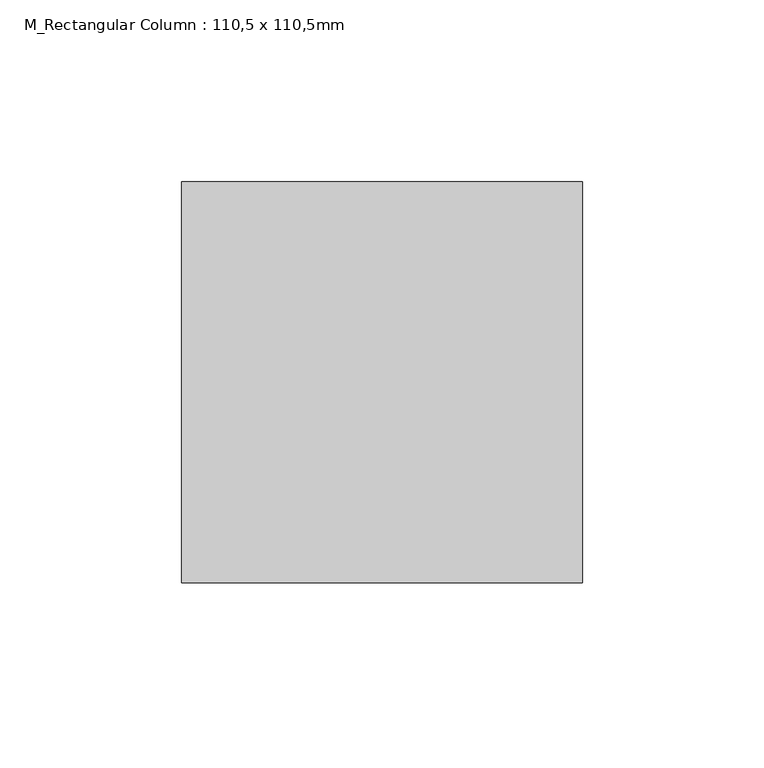
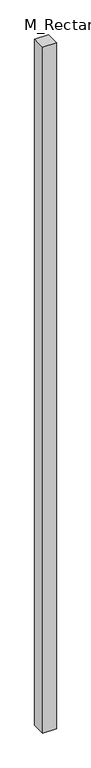
"""IFC4 building model written with IfcOpenShell, lengths in millimetres: column geometry, M_Rectangular Column : 110,5 x 110,5mm."""

import ifcopenshell
import ifcopenshell.guid

model = None  # the IFC model being written
_history = None  # IfcOwnerHistory: only IFC2X3 demands one
_inside = {}  # id of a spatial element -> (the spatial element, [elements in it])
_under = {}  # id of a project, library or spatial element -> (it, [spatial elements below it])
_declared = {}  # id of a project -> (the project, [libraries it declares])
_typed = {}  # id of a type object -> (the type object, [elements of that type])
_made_of = {}  # id of a material, layer set ... -> (it, [elements and type objects made of it])


def new_model(schema):
    """Start an empty IFC model of exactly this schema.

    Asked for "IFC4X3", IfcOpenShell would pick the latest addendum, in which some entities
    have other attributes; the version numbers below select the first issue.
    IFC2X3 requires an IfcOwnerHistory on every rooted entity: one is made here for all.
    """
    global model, _history
    if schema == "IFC4X3":
        model = ifcopenshell.file(schema_version=(4, 3, 0, 0))
    else:
        model = ifcopenshell.file(schema=schema)
    _inside.clear()
    _under.clear()
    _declared.clear()
    _typed.clear()
    _made_of.clear()
    _history = None
    if model.schema == "IFC2X3":
        org = make("IfcOrganization", Name="unknown")
        user = make(
            "IfcPersonAndOrganization",
            ThePerson=make("IfcPerson", FamilyName="unknown"),
            TheOrganization=org,
        )
        app = make(
            "IfcApplication",
            ApplicationDeveloper=org,
            Version="unknown",
            ApplicationFullName="unknown",
            ApplicationIdentifier="unknown",
        )
        _history = make(
            "IfcOwnerHistory",
            OwningUser=user,
            OwningApplication=app,
            ChangeAction="ADDED",
            CreationDate=0,
        )
    return model


def make(cls, **values):
    """One entity of the class cls with the attributes given. An attribute that is None is left unset."""
    return model.create_entity(
        cls, **{name: value for name, value in values.items() if value is not None}
    )


def rooted(cls, **values):
    """An entity with a GlobalId (a new one), such as an element, a storey or a relation."""
    return make(cls, GlobalId=ifcopenshell.guid.new(), OwnerHistory=_history, **values)


def si_unit(unit_type, name, prefix=None):
    """IfcSIUnit, for example si_unit("LENGTHUNIT", "METRE", prefix="MILLI")."""
    return make("IfcSIUnit", UnitType=unit_type, Prefix=prefix, Name=name)


def assignment(units):
    """IfcUnitAssignment: the units of a project."""
    return None if units is None else make("IfcUnitAssignment", Units=units)


def point(xyz):
    """IfcCartesianPoint."""
    return None if xyz is None else make("IfcCartesianPoint", Coordinates=xyz)


def direction(xyz):
    """IfcDirection."""
    return None if xyz is None else make("IfcDirection", DirectionRatios=xyz)


def frame(location, z_axis=None, x_axis=None):
    """IfcAxis2Placement3D, a coordinate frame: its origin and axes. An axis left out is left unset."""
    return make(
        "IfcAxis2Placement3D",
        Location=point(location),
        Axis=direction(z_axis),
        RefDirection=direction(x_axis),
    )


def origin():
    """The frame at (0, 0, 0) with its axes left unset."""
    return frame((0.0, 0.0, 0.0))


def origin_with_axes():
    """The frame at (0, 0, 0) with the z axis (0, 0, 1) and the x axis (1, 0, 0) written out."""
    return frame((0.0, 0.0, 0.0), z_axis=(0.0, 0.0, 1.0), x_axis=(1.0, 0.0, 0.0))


def place(relative_to, where):
    """IfcLocalPlacement: puts the frame where relative to a parent placement (None: the world)."""
    return make(
        "IfcLocalPlacement", PlacementRelTo=relative_to, RelativePlacement=where
    )


def context(
    kind, dimensions, precision=None, world=None, true_north=None, identifier=None
):
    """IfcGeometricRepresentationContext, for example the 3D "Model" context."""
    return make(
        "IfcGeometricRepresentationContext",
        ContextIdentifier=identifier,
        ContextType=kind,
        CoordinateSpaceDimension=dimensions,
        Precision=precision,
        WorldCoordinateSystem=world,
        TrueNorth=true_north,
    )


def project(units=None, contexts=None):
    """IfcProject with its units and contexts."""
    return rooted(
        "IfcProject",
        Name="project",
        RepresentationContexts=contexts,
        UnitsInContext=assignment(units),
    )


def spatial(cls, under=None, at=None, **own):
    """A site, building, storey or space (cls), placed at a placement, below another one or the project."""
    s = rooted(cls, ObjectPlacement=at, **own)
    if under is not None:
        _under.setdefault(under.id(), (under, []))[1].append(s)
    return s


def polyline(points):
    """IfcPolyline through the points."""
    return make("IfcPolyline", Points=[point(p) for p in points])


def outline(outer, holes=None, kind="AREA"):
    """IfcArbitraryClosedProfileDef: a profile drawn as a closed curve; with holes, ...WithVoids."""
    if holes is None:
        return make("IfcArbitraryClosedProfileDef", ProfileType=kind, OuterCurve=outer)
    return make(
        "IfcArbitraryProfileDefWithVoids",
        ProfileType=kind,
        OuterCurve=outer,
        InnerCurves=holes,
    )


def extrude(swept, where, along, depth):
    """IfcExtrudedAreaSolid: the profile swept, set in the frame where, extruded along a direction by depth."""
    return make(
        "IfcExtrudedAreaSolid",
        SweptArea=swept,
        Position=where,
        ExtrudedDirection=direction(along),
        Depth=depth,
    )


def shape(context_of_items, identifier, shape_type, items):
    """IfcShapeRepresentation: the items that make up one representation, for example the "Body"."""
    return make(
        "IfcShapeRepresentation",
        ContextOfItems=context_of_items,
        RepresentationIdentifier=identifier,
        RepresentationType=shape_type,
        Items=items,
    )


def source(mapping_origin, context_of_items, identifier, shape_type, items):
    """IfcRepresentationMap: a shape defined once, which mapped items show again and again."""
    return make(
        "IfcRepresentationMap",
        MappingOrigin=mapping_origin,
        MappedRepresentation=shape(context_of_items, identifier, shape_type, items),
    )


def transform(
    local_origin,
    x_axis=None,
    y_axis=None,
    z_axis=None,
    scale=None,
    scale2=None,
    scale3=None,
    uniform=True,
):
    """IfcCartesianTransformationOperator3D, or its non-uniform kind. x_axis, y_axis, z_axis: its Axis1, 2, 3."""
    if uniform:
        return make(
            "IfcCartesianTransformationOperator3D",
            Axis1=direction(x_axis),
            Axis2=direction(y_axis),
            LocalOrigin=point(local_origin),
            Scale=scale,
            Axis3=direction(z_axis),
        )
    return make(
        "IfcCartesianTransformationOperator3DnonUniform",
        Axis1=direction(x_axis),
        Axis2=direction(y_axis),
        LocalOrigin=point(local_origin),
        Scale=scale,
        Axis3=direction(z_axis),
        Scale2=scale2,
        Scale3=scale3,
    )


def mapped(mapping_source, mapping_target):
    """IfcMappedItem: shows the shape of a source again, moved by a transform."""
    return make(
        "IfcMappedItem", MappingSource=mapping_source, MappingTarget=mapping_target
    )


def made_of(thing, what):
    """Note that an element or type object is made of a material, layer set ...; save() writes the relation."""
    if what is not None:
        _made_of.setdefault(what.id(), (what, []))[1].append(thing)
    return thing


def element(
    cls,
    number,
    at=None,
    inside=None,
    cuts=None,
    type_object=None,
    material=None,
    context=None,
    identifier="Body",
    shape_type=None,
    held_by="IfcProductDefinitionShape",
    body=None,
    shapes=None,
    **own,
):
    """One element of the class cls, such as IfcWall. Its Tag is "e" and its number.

    at: its placement. inside: the storey or other place that contains it. cuts: it is an
    opening in that element (IfcRelVoidsElement). A single representation is given by context,
    identifier, shape_type and body (its items); several are given by shapes. held_by: the class
    of the entity that holds the representations. save() writes the other relations.
    """
    e = rooted(cls, Tag="e%d" % number, ObjectPlacement=at, **own)
    if body is not None:
        shapes = [shape(context, identifier, shape_type, body)]
    if shapes is not None:
        e.Representation = make(held_by, Representations=shapes)
    if inside is not None:
        _inside.setdefault(inside.id(), (inside, []))[1].append(e)
    if cuts is not None:
        rooted(
            "IfcRelVoidsElement", RelatingBuildingElement=cuts, RelatedOpeningElement=e
        )
    if type_object is not None:
        _typed.setdefault(type_object.id(), (type_object, []))[1].append(e)
    return made_of(e, material)


def aggregate(whole, parts):
    """IfcRelAggregates: a whole, such as a stair, and the parts it consists of."""
    return rooted("IfcRelAggregates", RelatingObject=whole, RelatedObjects=parts)


def save(model, path):
    """Write the relations noted so far, then the file.

    IfcRelAggregates (storeys below a building ...), IfcRelContainedInSpatialStructure (elements
    in a storey), IfcRelDefinesByType, IfcRelAssociatesMaterial and IfcRelDeclares: one each for
    every whole, place, type object, material and project.
    """
    for whole, parts in _under.values():
        aggregate(whole, parts)
    for where, things in _inside.values():
        rooted(
            "IfcRelContainedInSpatialStructure",
            RelatedElements=things,
            RelatingStructure=where,
        )
    for kind, things in _typed.values():
        rooted("IfcRelDefinesByType", RelatedObjects=things, RelatingType=kind)
    for what, things in _made_of.values():
        rooted("IfcRelAssociatesMaterial", RelatedObjects=things, RelatingMaterial=what)
    for by, libraries in _declared.values():
        rooted("IfcRelDeclares", RelatingContext=by, RelatedDefinitions=libraries)
    model.write(path)


def m_rectangular_column_110_5_x_110_5mm_2ba13cd8(model_context):
    return source(origin(), model_context, "Body", "SweptSolid", [
        extrude(outline(polyline([(55.25, 55.25), (55.25, -55.25), (-55.25, -55.25), (-55.25, 55.25), (55.25, 55.25)])), origin_with_axes(), (0.0, 0.0, 1.0), 5840.0),
    ])


if __name__ == "__main__":
    model = new_model("IFC4")
    model_context = context("Model", 3, world=origin())
    ifc_project = project(units=[si_unit("LENGTHUNIT", "METRE", prefix="MILLI")], contexts=[model_context])
    site = spatial("IfcSite", under=ifc_project)
    building = spatial("IfcBuilding", under=site)
    placement = place(None, origin())
    m_rectangular_column_110_5_x_110_5mm_shape = m_rectangular_column_110_5_x_110_5mm_2ba13cd8(model_context)
    element("IfcColumn", 1, ObjectType="M_Rectangular Column : 110,5 x 110,5mm", at=placement, inside=building, context=model_context, shape_type="MappedRepresentation", body=[
        mapped(m_rectangular_column_110_5_x_110_5mm_shape, transform((0.0, 0.0, 0.0), x_axis=(1.0, 0.0, 0.0), y_axis=(0.0, 1.0, 0.0), z_axis=(0.0, 0.0, 1.0))),
    ])
    save(model, "model.ifc")
